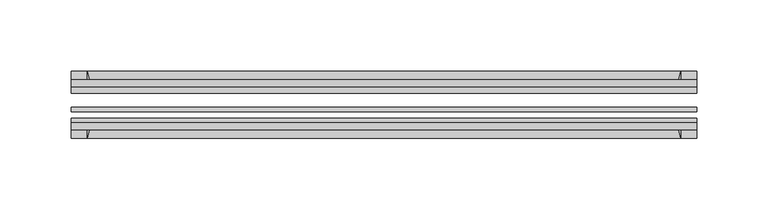
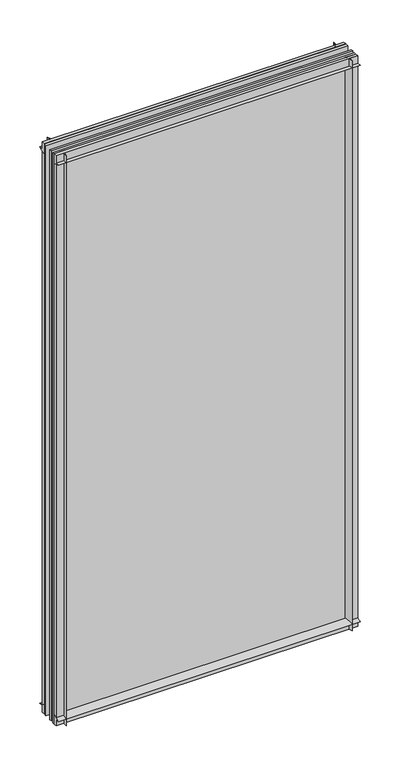
"""IFC4 building model written with IfcOpenShell, lengths in millimetres: plate geometry."""

import ifcopenshell
import ifcopenshell.guid

model = None  # the IFC model being written
_history = None  # IfcOwnerHistory: only IFC2X3 demands one
_inside = {}  # id of a spatial element -> (the spatial element, [elements in it])
_under = {}  # id of a project, library or spatial element -> (it, [spatial elements below it])
_declared = {}  # id of a project -> (the project, [libraries it declares])
_typed = {}  # id of a type object -> (the type object, [elements of that type])
_made_of = {}  # id of a material, layer set ... -> (it, [elements and type objects made of it])


def new_model(schema):
    """Start an empty IFC model of exactly this schema.

    Asked for "IFC4X3", IfcOpenShell would pick the latest addendum, in which some entities
    have other attributes; the version numbers below select the first issue.
    IFC2X3 requires an IfcOwnerHistory on every rooted entity: one is made here for all.
    """
    global model, _history
    if schema == "IFC4X3":
        model = ifcopenshell.file(schema_version=(4, 3, 0, 0))
    else:
        model = ifcopenshell.file(schema=schema)
    _inside.clear()
    _under.clear()
    _declared.clear()
    _typed.clear()
    _made_of.clear()
    _history = None
    if model.schema == "IFC2X3":
        org = make("IfcOrganization", Name="unknown")
        user = make(
            "IfcPersonAndOrganization",
            ThePerson=make("IfcPerson", FamilyName="unknown"),
            TheOrganization=org,
        )
        app = make(
            "IfcApplication",
            ApplicationDeveloper=org,
            Version="unknown",
            ApplicationFullName="unknown",
            ApplicationIdentifier="unknown",
        )
        _history = make(
            "IfcOwnerHistory",
            OwningUser=user,
            OwningApplication=app,
            ChangeAction="ADDED",
            CreationDate=0,
        )
    return model


def make(cls, **values):
    """One entity of the class cls with the attributes given. An attribute that is None is left unset."""
    return model.create_entity(
        cls, **{name: value for name, value in values.items() if value is not None}
    )


def rooted(cls, **values):
    """An entity with a GlobalId (a new one), such as an element, a storey or a relation."""
    return make(cls, GlobalId=ifcopenshell.guid.new(), OwnerHistory=_history, **values)


def si_unit(unit_type, name, prefix=None):
    """IfcSIUnit, for example si_unit("LENGTHUNIT", "METRE", prefix="MILLI")."""
    return make("IfcSIUnit", UnitType=unit_type, Prefix=prefix, Name=name)


def assignment(units):
    """IfcUnitAssignment: the units of a project."""
    return None if units is None else make("IfcUnitAssignment", Units=units)


def point(xyz):
    """IfcCartesianPoint."""
    return None if xyz is None else make("IfcCartesianPoint", Coordinates=xyz)


def direction(xyz):
    """IfcDirection."""
    return None if xyz is None else make("IfcDirection", DirectionRatios=xyz)


def frame(location, z_axis=None, x_axis=None):
    """IfcAxis2Placement3D, a coordinate frame: its origin and axes. An axis left out is left unset."""
    return make(
        "IfcAxis2Placement3D",
        Location=point(location),
        Axis=direction(z_axis),
        RefDirection=direction(x_axis),
    )


def frame_2d(location, x_axis=None):
    """IfcAxis2Placement2D, a coordinate frame in the plane: its origin and x axis."""
    return make(
        "IfcAxis2Placement2D", Location=point(location), RefDirection=direction(x_axis)
    )


def origin():
    """The frame at (0, 0, 0) with its axes left unset."""
    return frame((0.0, 0.0, 0.0))


def place(relative_to, where):
    """IfcLocalPlacement: puts the frame where relative to a parent placement (None: the world)."""
    return make(
        "IfcLocalPlacement", PlacementRelTo=relative_to, RelativePlacement=where
    )


def context(
    kind, dimensions, precision=None, world=None, true_north=None, identifier=None
):
    """IfcGeometricRepresentationContext, for example the 3D "Model" context."""
    return make(
        "IfcGeometricRepresentationContext",
        ContextIdentifier=identifier,
        ContextType=kind,
        CoordinateSpaceDimension=dimensions,
        Precision=precision,
        WorldCoordinateSystem=world,
        TrueNorth=true_north,
    )


def project(units=None, contexts=None):
    """IfcProject with its units and contexts."""
    return rooted(
        "IfcProject",
        Name="project",
        RepresentationContexts=contexts,
        UnitsInContext=assignment(units),
    )


def spatial(cls, under=None, at=None, **own):
    """A site, building, storey or space (cls), placed at a placement, below another one or the project."""
    s = rooted(cls, ObjectPlacement=at, **own)
    if under is not None:
        _under.setdefault(under.id(), (under, []))[1].append(s)
    return s


def polyline(points):
    """IfcPolyline through the points."""
    return make("IfcPolyline", Points=[point(p) for p in points])


def circle_curve(where, radius):
    """IfcCircle in the frame where."""
    return make("IfcCircle", Position=where, Radius=radius)


def trimmed(basis, trim1, trim2, sense, master):
    """IfcTrimmedCurve: the piece of a basis curve between two trims."""
    return make(
        "IfcTrimmedCurve",
        BasisCurve=basis,
        Trim1=trim1,
        Trim2=trim2,
        SenseAgreement=sense,
        MasterRepresentation=master,
    )


def segment(curve, same_sense, transition):
    """IfcCompositeCurveSegment."""
    return make(
        "IfcCompositeCurveSegment",
        Transition=transition,
        SameSense=same_sense,
        ParentCurve=curve,
    )


def composite_curve(segments, self_intersect=None):
    """IfcCompositeCurve: segments joined end to end."""
    return make("IfcCompositeCurve", Segments=segments, SelfIntersect=self_intersect)


def outline(outer, holes=None, kind="AREA"):
    """IfcArbitraryClosedProfileDef: a profile drawn as a closed curve; with holes, ...WithVoids."""
    if holes is None:
        return make("IfcArbitraryClosedProfileDef", ProfileType=kind, OuterCurve=outer)
    return make(
        "IfcArbitraryProfileDefWithVoids",
        ProfileType=kind,
        OuterCurve=outer,
        InnerCurves=holes,
    )


def extrude(swept, where, along, depth):
    """IfcExtrudedAreaSolid: the profile swept, set in the frame where, extruded along a direction by depth."""
    return make(
        "IfcExtrudedAreaSolid",
        SweptArea=swept,
        Position=where,
        ExtrudedDirection=direction(along),
        Depth=depth,
    )


def shape(context_of_items, identifier, shape_type, items):
    """IfcShapeRepresentation: the items that make up one representation, for example the "Body"."""
    return make(
        "IfcShapeRepresentation",
        ContextOfItems=context_of_items,
        RepresentationIdentifier=identifier,
        RepresentationType=shape_type,
        Items=items,
    )


def source(mapping_origin, context_of_items, identifier, shape_type, items):
    """IfcRepresentationMap: a shape defined once, which mapped items show again and again."""
    return make(
        "IfcRepresentationMap",
        MappingOrigin=mapping_origin,
        MappedRepresentation=shape(context_of_items, identifier, shape_type, items),
    )


def transform(
    local_origin,
    x_axis=None,
    y_axis=None,
    z_axis=None,
    scale=None,
    scale2=None,
    scale3=None,
    uniform=True,
):
    """IfcCartesianTransformationOperator3D, or its non-uniform kind. x_axis, y_axis, z_axis: its Axis1, 2, 3."""
    if uniform:
        return make(
            "IfcCartesianTransformationOperator3D",
            Axis1=direction(x_axis),
            Axis2=direction(y_axis),
            LocalOrigin=point(local_origin),
            Scale=scale,
            Axis3=direction(z_axis),
        )
    return make(
        "IfcCartesianTransformationOperator3DnonUniform",
        Axis1=direction(x_axis),
        Axis2=direction(y_axis),
        LocalOrigin=point(local_origin),
        Scale=scale,
        Axis3=direction(z_axis),
        Scale2=scale2,
        Scale3=scale3,
    )


def mapped(mapping_source, mapping_target):
    """IfcMappedItem: shows the shape of a source again, moved by a transform."""
    return make(
        "IfcMappedItem", MappingSource=mapping_source, MappingTarget=mapping_target
    )


def made_of(thing, what):
    """Note that an element or type object is made of a material, layer set ...; save() writes the relation."""
    if what is not None:
        _made_of.setdefault(what.id(), (what, []))[1].append(thing)
    return thing


def element(
    cls,
    number,
    at=None,
    inside=None,
    cuts=None,
    type_object=None,
    material=None,
    context=None,
    identifier="Body",
    shape_type=None,
    held_by="IfcProductDefinitionShape",
    body=None,
    shapes=None,
    **own,
):
    """One element of the class cls, such as IfcWall. Its Tag is "e" and its number.

    at: its placement. inside: the storey or other place that contains it. cuts: it is an
    opening in that element (IfcRelVoidsElement). A single representation is given by context,
    identifier, shape_type and body (its items); several are given by shapes. held_by: the class
    of the entity that holds the representations. save() writes the other relations.
    """
    e = rooted(cls, Tag="e%d" % number, ObjectPlacement=at, **own)
    if body is not None:
        shapes = [shape(context, identifier, shape_type, body)]
    if shapes is not None:
        e.Representation = make(held_by, Representations=shapes)
    if inside is not None:
        _inside.setdefault(inside.id(), (inside, []))[1].append(e)
    if cuts is not None:
        rooted(
            "IfcRelVoidsElement", RelatingBuildingElement=cuts, RelatedOpeningElement=e
        )
    if type_object is not None:
        _typed.setdefault(type_object.id(), (type_object, []))[1].append(e)
    return made_of(e, material)


def aggregate(whole, parts):
    """IfcRelAggregates: a whole, such as a stair, and the parts it consists of."""
    return rooted("IfcRelAggregates", RelatingObject=whole, RelatedObjects=parts)


def save(model, path):
    """Write the relations noted so far, then the file.

    IfcRelAggregates (storeys below a building ...), IfcRelContainedInSpatialStructure (elements
    in a storey), IfcRelDefinesByType, IfcRelAssociatesMaterial and IfcRelDeclares: one each for
    every whole, place, type object, material and project.
    """
    for whole, parts in _under.values():
        aggregate(whole, parts)
    for where, things in _inside.values():
        rooted(
            "IfcRelContainedInSpatialStructure",
            RelatedElements=things,
            RelatingStructure=where,
        )
    for kind, things in _typed.values():
        rooted("IfcRelDefinesByType", RelatedObjects=things, RelatingType=kind)
    for what, things in _made_of.values():
        rooted("IfcRelAssociatesMaterial", RelatedObjects=things, RelatingMaterial=what)
    for by, libraries in _declared.values():
        rooted("IfcRelDeclares", RelatingContext=by, RelatedDefinitions=libraries)
    model.write(path)


def plate_458e6990(model_context):
    return source(origin(), model_context, "Body", "SweptSolid", [
        extrude(outline(composite_curve([segment(polyline([(-74.653775, 0.0), (-80.586498, 0.0)]), True, "CONTINUOUS"), segment(trimmed(circle_curve(frame_2d((-86.2543953, 32.273404)), 32.7673262), [point((-80.586498, 0.0))], [point((-69.878575, 3.8915405))], True, "CARTESIAN"), True, "CONTINUOUS"), segment(polyline([(-69.878575, 3.8915405), (-69.878575, -10.31875), (-74.653775, -10.31875), (-74.653775, 0.0)]), True, "CONTINUOUS")], self_intersect=False)), frame((-219.075, 0.0, 0.0), z_axis=(1.0, 0.0, 0.0), x_axis=(0.0, 1.0, 0.0)), (0.0, 0.0, 1.0), 438.15),
        extrude(outline(composite_curve([segment(polyline([(-44.478575, -10.31875), (-44.478575, 3.8915405)]), True, "CONTINUOUS"), segment(trimmed(circle_curve(frame_2d((-28.1027547, 32.273404)), 32.7673262), [point((-44.478575, 3.8915405))], [point((-33.770652, 0.0))], True, "CARTESIAN"), True, "CONTINUOUS"), segment(polyline([(-33.770652, 0.0), (-39.703375, 0.0), (-39.703375, -10.31875), (-44.478575, -10.31875)]), True, "CONTINUOUS")], self_intersect=False)), frame((-219.075, 0.0, 0.0), z_axis=(1.0, 0.0, 0.0), x_axis=(0.0, 1.0, 0.0)), (0.0, 0.0, 1.0), 438.15),
        extrude(outline(composite_curve([segment(trimmed(circle_curve(frame_2d((-86.2543953, 821.795246)), 32.7673262), [point((-69.878575, 850.1771095))], [point((-80.622775, 854.075))], True, "CARTESIAN"), True, "CONTINUOUS"), segment(polyline([(-80.622775, 854.075), (-74.653775, 854.075), (-74.653775, 865.1875), (-69.878575, 865.1875), (-69.878575, 850.1771095)]), True, "CONTINUOUS")], self_intersect=False)), frame((-219.075, 0.0, 0.0), z_axis=(1.0, 0.0, 0.0), x_axis=(0.0, 1.0, 0.0)), (0.0, 0.0, 1.0), 438.15),
        extrude(outline(composite_curve([segment(polyline([(-44.478575, 850.1771095), (-44.478575, 865.1875), (-39.703375, 865.1875), (-39.703375, 854.075), (-33.734375, 854.075)]), True, "CONTINUOUS"), segment(trimmed(circle_curve(frame_2d((-28.1027547, 821.795246)), 32.7673262), [point((-33.734375, 854.075))], [point((-44.478575, 850.1771095))], True, "CARTESIAN"), True, "CONTINUOUS")], self_intersect=False)), frame((-219.075, 0.0, 0.0), z_axis=(1.0, 0.0, 0.0), x_axis=(0.0, 1.0, 0.0)), (0.0, 0.0, 1.0), 438.15),
        extrude(outline(composite_curve([segment(polyline([(204.0646095, -69.878575), (219.075, -69.878575), (219.075, -74.653775), (207.9625, -74.653775), (207.9625, -80.622775)]), True, "CONTINUOUS"), segment(trimmed(circle_curve(frame_2d((175.682746, -86.2543953)), 32.7673262), [point((207.9625, -80.622775))], [point((204.0646095, -69.878575))], True, "CARTESIAN"), True, "CONTINUOUS")], self_intersect=False)), frame((0.0, 0.0, -10.31875), z_axis=(0.0, 0.0, 1.0), x_axis=(1.0, 0.0, 0.0)), (0.0, 0.0, 1.0), 875.50625),
        extrude(outline(composite_curve([segment(trimmed(circle_curve(frame_2d((175.682746, -28.1027547)), 32.7673262), [point((204.0646095, -44.478575))], [point((207.9625, -33.734375))], True, "CARTESIAN"), True, "CONTINUOUS"), segment(polyline([(207.9625, -33.734375), (207.9625, -39.703375), (219.075, -39.703375), (219.075, -44.478575), (204.0646095, -44.478575)]), True, "CONTINUOUS")], self_intersect=False)), frame((0.0, 0.0, -10.31875), z_axis=(0.0, 0.0, 1.0), x_axis=(1.0, 0.0, 0.0)), (0.0, 0.0, 1.0), 875.50625),
        extrude(outline(composite_curve([segment(trimmed(circle_curve(frame_2d((-175.682746, -86.2543953)), 32.7673262), [point((-204.0646095, -69.878575))], [point((-207.9625, -80.622775))], True, "CARTESIAN"), True, "CONTINUOUS"), segment(polyline([(-207.9625, -80.622775), (-207.9625, -74.653775), (-219.075, -74.653775), (-219.075, -69.878575), (-204.0646095, -69.878575)]), True, "CONTINUOUS")], self_intersect=False)), frame((0.0, 0.0, -10.31875), z_axis=(0.0, 0.0, 1.0), x_axis=(1.0, 0.0, 0.0)), (0.0, 0.0, 1.0), 875.50625),
        extrude(outline(composite_curve([segment(polyline([(-204.0646095, -44.478575), (-219.075, -44.478575), (-219.075, -39.703375), (-207.9625, -39.703375), (-207.9625, -33.734375)]), True, "CONTINUOUS"), segment(trimmed(circle_curve(frame_2d((-175.682746, -28.1027547)), 32.7673262), [point((-207.9625, -33.734375))], [point((-204.0646095, -44.478575))], True, "CARTESIAN"), True, "CONTINUOUS")], self_intersect=False)), frame((0.0, 0.0, -10.31875), z_axis=(0.0, 0.0, 1.0), x_axis=(1.0, 0.0, 0.0)), (0.0, 0.0, 1.0), 875.50625),
        extrude(outline(polyline([(-219.075, -44.478575), (219.075, -44.478575), (219.075, -49.241075), (-219.075, -49.241075), (-219.075, -44.478575)])), frame((0.0, 0.0, -10.31875), z_axis=(0.0, 0.0, 1.0), x_axis=(1.0, 0.0, 0.0)), (0.0, 0.0, 1.0), 875.50625),
        extrude(outline(polyline([(219.075, -58.956575), (219.075, -62.131575), (-219.075, -62.131575), (-219.075, -58.956575), (219.075, -58.956575)])), frame((0.0, 0.0, -10.31875), z_axis=(0.0, 0.0, 1.0), x_axis=(1.0, 0.0, 0.0)), (0.0, 0.0, 1.0), 875.50625),
        extrude(outline(polyline([(-219.075, -66.703575), (219.075, -66.703575), (219.075, -69.878575), (-219.075, -69.878575), (-219.075, -66.703575)])), frame((0.0, 0.0, -10.31875), z_axis=(0.0, 0.0, 1.0), x_axis=(1.0, 0.0, 0.0)), (0.0, 0.0, 1.0), 875.50625),
    ])


if __name__ == "__main__":
    model = new_model("IFC4")
    model_context = context("Model", 3, world=origin())
    ifc_project = project(units=[si_unit("LENGTHUNIT", "METRE", prefix="MILLI")], contexts=[model_context])
    site = spatial("IfcSite", under=ifc_project)
    building = spatial("IfcBuilding", under=site)
    placement = place(None, origin())
    plate_shape = plate_458e6990(model_context)
    element("IfcPlate", 1, at=placement, inside=building, context=model_context, shape_type="MappedRepresentation", body=[
        mapped(plate_shape, transform((0.0, 0.0, 0.0), x_axis=(1.0, 0.0, 0.0), y_axis=(0.0, 1.0, 0.0), z_axis=(0.0, 0.0, 1.0))),
    ])
    save(model, "model.ifc")
